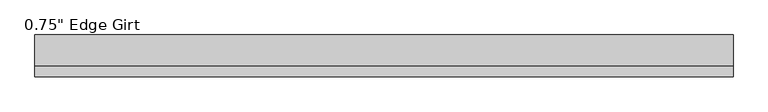
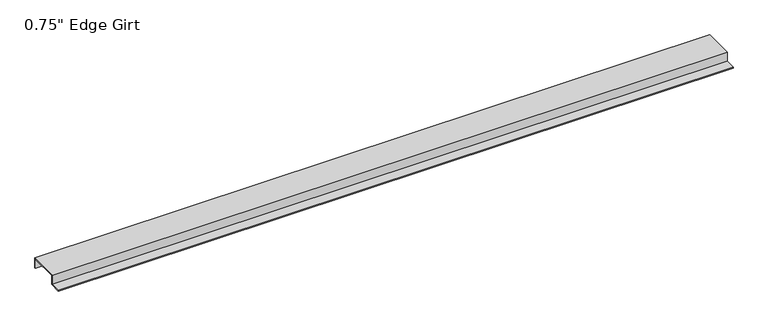
"""IFC4 building model written with IfcOpenShell, lengths in millimetres: proxy geometry."""

import ifcopenshell
import ifcopenshell.guid

model = None  # the IFC model being written
_history = None  # IfcOwnerHistory: only IFC2X3 demands one
_inside = {}  # id of a spatial element -> (the spatial element, [elements in it])
_under = {}  # id of a project, library or spatial element -> (it, [spatial elements below it])
_declared = {}  # id of a project -> (the project, [libraries it declares])
_typed = {}  # id of a type object -> (the type object, [elements of that type])
_made_of = {}  # id of a material, layer set ... -> (it, [elements and type objects made of it])


def new_model(schema):
    """Start an empty IFC model of exactly this schema.

    Asked for "IFC4X3", IfcOpenShell would pick the latest addendum, in which some entities
    have other attributes; the version numbers below select the first issue.
    IFC2X3 requires an IfcOwnerHistory on every rooted entity: one is made here for all.
    """
    global model, _history
    if schema == "IFC4X3":
        model = ifcopenshell.file(schema_version=(4, 3, 0, 0))
    else:
        model = ifcopenshell.file(schema=schema)
    _inside.clear()
    _under.clear()
    _declared.clear()
    _typed.clear()
    _made_of.clear()
    _history = None
    if model.schema == "IFC2X3":
        org = make("IfcOrganization", Name="unknown")
        user = make(
            "IfcPersonAndOrganization",
            ThePerson=make("IfcPerson", FamilyName="unknown"),
            TheOrganization=org,
        )
        app = make(
            "IfcApplication",
            ApplicationDeveloper=org,
            Version="unknown",
            ApplicationFullName="unknown",
            ApplicationIdentifier="unknown",
        )
        _history = make(
            "IfcOwnerHistory",
            OwningUser=user,
            OwningApplication=app,
            ChangeAction="ADDED",
            CreationDate=0,
        )
    return model


def make(cls, **values):
    """One entity of the class cls with the attributes given. An attribute that is None is left unset."""
    return model.create_entity(
        cls, **{name: value for name, value in values.items() if value is not None}
    )


def rooted(cls, **values):
    """An entity with a GlobalId (a new one), such as an element, a storey or a relation."""
    return make(cls, GlobalId=ifcopenshell.guid.new(), OwnerHistory=_history, **values)


def si_unit(unit_type, name, prefix=None):
    """IfcSIUnit, for example si_unit("LENGTHUNIT", "METRE", prefix="MILLI")."""
    return make("IfcSIUnit", UnitType=unit_type, Prefix=prefix, Name=name)


def assignment(units):
    """IfcUnitAssignment: the units of a project."""
    return None if units is None else make("IfcUnitAssignment", Units=units)


def point(xyz):
    """IfcCartesianPoint."""
    return None if xyz is None else make("IfcCartesianPoint", Coordinates=xyz)


def direction(xyz):
    """IfcDirection."""
    return None if xyz is None else make("IfcDirection", DirectionRatios=xyz)


def frame(location, z_axis=None, x_axis=None):
    """IfcAxis2Placement3D, a coordinate frame: its origin and axes. An axis left out is left unset."""
    return make(
        "IfcAxis2Placement3D",
        Location=point(location),
        Axis=direction(z_axis),
        RefDirection=direction(x_axis),
    )


def origin():
    """The frame at (0, 0, 0) with its axes left unset."""
    return frame((0.0, 0.0, 0.0))


def place(relative_to, where):
    """IfcLocalPlacement: puts the frame where relative to a parent placement (None: the world)."""
    return make(
        "IfcLocalPlacement", PlacementRelTo=relative_to, RelativePlacement=where
    )


def context(
    kind, dimensions, precision=None, world=None, true_north=None, identifier=None
):
    """IfcGeometricRepresentationContext, for example the 3D "Model" context."""
    return make(
        "IfcGeometricRepresentationContext",
        ContextIdentifier=identifier,
        ContextType=kind,
        CoordinateSpaceDimension=dimensions,
        Precision=precision,
        WorldCoordinateSystem=world,
        TrueNorth=true_north,
    )


def project(units=None, contexts=None):
    """IfcProject with its units and contexts."""
    return rooted(
        "IfcProject",
        Name="project",
        RepresentationContexts=contexts,
        UnitsInContext=assignment(units),
    )


def spatial(cls, under=None, at=None, **own):
    """A site, building, storey or space (cls), placed at a placement, below another one or the project."""
    s = rooted(cls, ObjectPlacement=at, **own)
    if under is not None:
        _under.setdefault(under.id(), (under, []))[1].append(s)
    return s


def polyline(points):
    """IfcPolyline through the points."""
    return make("IfcPolyline", Points=[point(p) for p in points])


def outline(outer, holes=None, kind="AREA"):
    """IfcArbitraryClosedProfileDef: a profile drawn as a closed curve; with holes, ...WithVoids."""
    if holes is None:
        return make("IfcArbitraryClosedProfileDef", ProfileType=kind, OuterCurve=outer)
    return make(
        "IfcArbitraryProfileDefWithVoids",
        ProfileType=kind,
        OuterCurve=outer,
        InnerCurves=holes,
    )


def extrude(swept, where, along, depth):
    """IfcExtrudedAreaSolid: the profile swept, set in the frame where, extruded along a direction by depth."""
    return make(
        "IfcExtrudedAreaSolid",
        SweptArea=swept,
        Position=where,
        ExtrudedDirection=direction(along),
        Depth=depth,
    )


def shape(context_of_items, identifier, shape_type, items):
    """IfcShapeRepresentation: the items that make up one representation, for example the "Body"."""
    return make(
        "IfcShapeRepresentation",
        ContextOfItems=context_of_items,
        RepresentationIdentifier=identifier,
        RepresentationType=shape_type,
        Items=items,
    )


def source(mapping_origin, context_of_items, identifier, shape_type, items):
    """IfcRepresentationMap: a shape defined once, which mapped items show again and again."""
    return make(
        "IfcRepresentationMap",
        MappingOrigin=mapping_origin,
        MappedRepresentation=shape(context_of_items, identifier, shape_type, items),
    )


def transform(
    local_origin,
    x_axis=None,
    y_axis=None,
    z_axis=None,
    scale=None,
    scale2=None,
    scale3=None,
    uniform=True,
):
    """IfcCartesianTransformationOperator3D, or its non-uniform kind. x_axis, y_axis, z_axis: its Axis1, 2, 3."""
    if uniform:
        return make(
            "IfcCartesianTransformationOperator3D",
            Axis1=direction(x_axis),
            Axis2=direction(y_axis),
            LocalOrigin=point(local_origin),
            Scale=scale,
            Axis3=direction(z_axis),
        )
    return make(
        "IfcCartesianTransformationOperator3DnonUniform",
        Axis1=direction(x_axis),
        Axis2=direction(y_axis),
        LocalOrigin=point(local_origin),
        Scale=scale,
        Axis3=direction(z_axis),
        Scale2=scale2,
        Scale3=scale3,
    )


def mapped(mapping_source, mapping_target):
    """IfcMappedItem: shows the shape of a source again, moved by a transform."""
    return make(
        "IfcMappedItem", MappingSource=mapping_source, MappingTarget=mapping_target
    )


def made_of(thing, what):
    """Note that an element or type object is made of a material, layer set ...; save() writes the relation."""
    if what is not None:
        _made_of.setdefault(what.id(), (what, []))[1].append(thing)
    return thing


def element(
    cls,
    number,
    at=None,
    inside=None,
    cuts=None,
    type_object=None,
    material=None,
    context=None,
    identifier="Body",
    shape_type=None,
    held_by="IfcProductDefinitionShape",
    body=None,
    shapes=None,
    **own,
):
    """One element of the class cls, such as IfcWall. Its Tag is "e" and its number.

    at: its placement. inside: the storey or other place that contains it. cuts: it is an
    opening in that element (IfcRelVoidsElement). A single representation is given by context,
    identifier, shape_type and body (its items); several are given by shapes. held_by: the class
    of the entity that holds the representations. save() writes the other relations.
    """
    e = rooted(cls, Tag="e%d" % number, ObjectPlacement=at, **own)
    if body is not None:
        shapes = [shape(context, identifier, shape_type, body)]
    if shapes is not None:
        e.Representation = make(held_by, Representations=shapes)
    if inside is not None:
        _inside.setdefault(inside.id(), (inside, []))[1].append(e)
    if cuts is not None:
        rooted(
            "IfcRelVoidsElement", RelatingBuildingElement=cuts, RelatedOpeningElement=e
        )
    if type_object is not None:
        _typed.setdefault(type_object.id(), (type_object, []))[1].append(e)
    return made_of(e, material)


def aggregate(whole, parts):
    """IfcRelAggregates: a whole, such as a stair, and the parts it consists of."""
    return rooted("IfcRelAggregates", RelatingObject=whole, RelatedObjects=parts)


def save(model, path):
    """Write the relations noted so far, then the file.

    IfcRelAggregates (storeys below a building ...), IfcRelContainedInSpatialStructure (elements
    in a storey), IfcRelDefinesByType, IfcRelAssociatesMaterial and IfcRelDeclares: one each for
    every whole, place, type object, material and project.
    """
    for whole, parts in _under.values():
        aggregate(whole, parts)
    for where, things in _inside.values():
        rooted(
            "IfcRelContainedInSpatialStructure",
            RelatedElements=things,
            RelatingStructure=where,
        )
    for kind, things in _typed.values():
        rooted("IfcRelDefinesByType", RelatedObjects=things, RelatingType=kind)
    for what, things in _made_of.values():
        rooted("IfcRelAssociatesMaterial", RelatedObjects=things, RelatingMaterial=what)
    for by, libraries in _declared.values():
        rooted("IfcRelDeclares", RelatingContext=by, RelatedDefinitions=libraries)
    model.write(path)


def proxy_718622dc(model_context):
    return source(origin(), model_context, "Body", "SweptSolid", [
        extrude(outline(polyline([(-46.0559645, -17.4375), (-46.0559645, -15.8242), (-27.0129, -15.8242), (-27.0129, 1.6129), (27.0129, 1.6129), (27.0129, -17.4375), (25.4, -17.4375), (25.4, 0.0), (-25.4, 0.0), (-25.4, -17.4375), (-46.0559645, -17.4375)])), frame((0.0, 0.0, 0.0), z_axis=(1.0, 0.0, 0.0), x_axis=(0.0, 1.0, 0.0)), (0.0, 0.0, 1.0), 1219.2),
    ])


if __name__ == "__main__":
    model = new_model("IFC4")
    model_context = context("Model", 3, world=origin())
    ifc_project = project(units=[si_unit("LENGTHUNIT", "METRE", prefix="MILLI")], contexts=[model_context])
    site = spatial("IfcSite", under=ifc_project)
    building = spatial("IfcBuilding", under=site)
    placement = place(None, origin())
    proxy_shape = proxy_718622dc(model_context)
    element("IfcBuildingElementProxy", 1, Name="0.75\" Edge Girt", ObjectType="0.75\" Edge Girt", at=placement, inside=building, context=model_context, shape_type="MappedRepresentation", body=[
        mapped(proxy_shape, transform((0.0, 0.0, 0.0), x_axis=(1.0, 0.0, 0.0), y_axis=(0.0, 1.0, 0.0), z_axis=(0.0, 0.0, 1.0))),
    ])
    save(model, "model.ifc")
